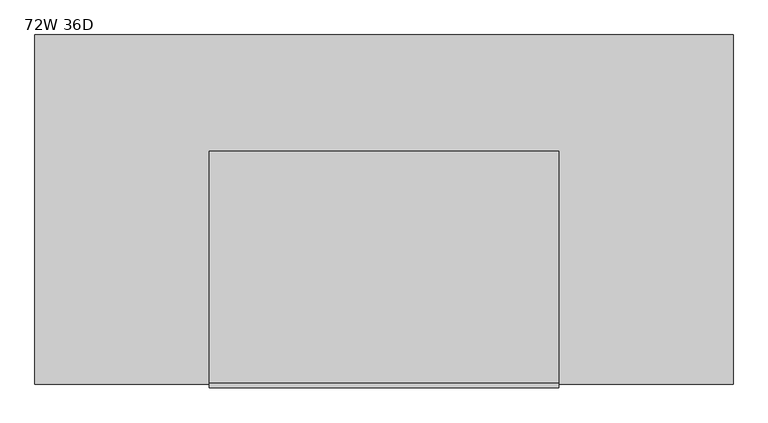
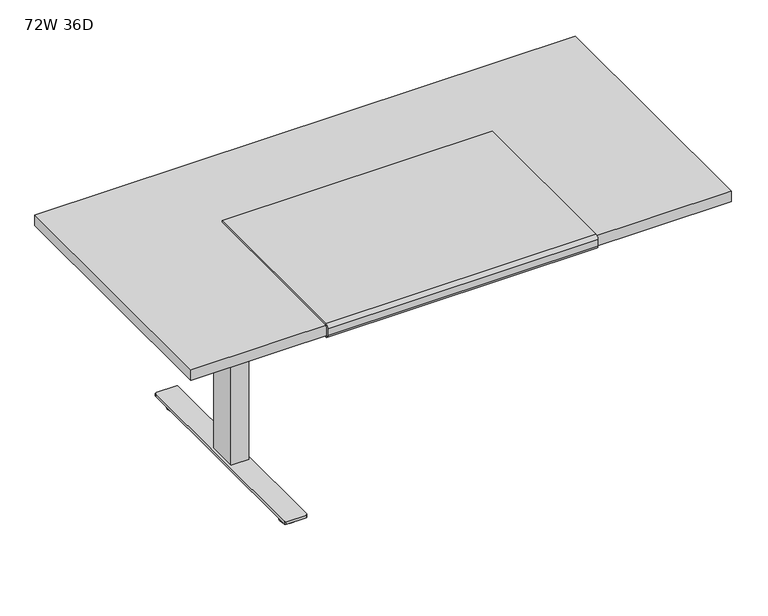
"""IFC4 building model written with IfcOpenShell, lengths in millimetres: furniture geometry, 72W 36D."""

from ifc_helpers import new_model, si_unit, point, frame, frame_2d, origin, origin_with_axes, place, context, project, spatial, polyline, circle_curve, trimmed, segment, composite_curve, outline, extrude, source, transform, mapped, element, save


def furniture_72w_36d_3ea2abe3(model_context):
    return source(origin(), model_context, "Body", "SweptSolid", [
        extrude(outline(composite_curve([segment(polyline([(-923.7981828, 711.2566341), (-923.7981828, 706.2597008)]), True, "CONTINUOUS"), segment(trimmed(circle_curve(frame_2d((-923.7981828, 718.9597008)), 12.7), [point((-923.7981828, 706.2597008))], [point((-936.4981828, 718.9597008))], False, "CARTESIAN"), True, "CONTINUOUS"), segment(polyline([(-936.4981828, 718.9597008), (-936.4981828, 741.3625)]), True, "CONTINUOUS"), segment(trimmed(circle_curve(frame_2d((-923.7981828, 741.3625)), 12.7), [point((-936.4981828, 741.3625))], [point((-923.7981828, 754.0625))], False, "CARTESIAN"), True, "CONTINUOUS"), segment(polyline([(-923.7981828, 754.0625), (-317.3731828, 754.0625), (-317.3731828, 749.3), (-923.6350132, 749.3)]), True, "CONTINUOUS"), segment(trimmed(circle_curve(frame_2d((-923.6350132, 741.3625)), 7.9375), [point((-923.6350132, 749.3))], [point((-931.5725132, 741.3625))], True, "CARTESIAN"), True, "CONTINUOUS"), segment(polyline([(-931.5725132, 741.3625), (-931.5725132, 717.6066341)]), True, "CONTINUOUS"), segment(trimmed(circle_curve(frame_2d((-925.2225132, 717.6066341)), 6.35), [point((-931.5725132, 717.6066341))], [point((-925.2225132, 711.2566341))], True, "CARTESIAN"), True, "CONTINUOUS"), segment(polyline([(-925.2225132, 711.2566341), (-923.7981828, 711.2566341)]), True, "CONTINUOUS")], self_intersect=False)), frame((-469.9, 0.0, 0.0), z_axis=(1.0, 0.0, 0.0), x_axis=(0.0, 1.0, 0.0)), (0.0, 0.0, 1.0), 914.4),
        extrude(outline(polyline([(-730.25, 692.15), (-730.25, 711.2), (-209.55, 711.2), (-209.55, 692.15), (-411.1625, 635.0), (-528.6375, 635.0), (-730.25, 692.15)])), frame((-567.53125, 0.0, 0.0), z_axis=(1.0, 0.0, 0.0), x_axis=(0.0, 1.0, 0.0)), (0.0, 0.0, 1.0), 2.38125),
        extrude(outline(polyline([(-377.03125, -411.1625), (-377.03125, -528.6375), (-565.15, -528.6375), (-565.15, -411.1625), (-377.03125, -411.1625)])), frame((0.0, 0.0, 655.6375), z_axis=(0.0, 0.0, 1.0), x_axis=(1.0, 0.0, 0.0)), (0.0, 0.0, 1.0), 55.5625),
        extrude(outline(polyline([(-501.65, -425.45), (-501.65, -514.35), (-552.45, -514.35), (-552.45, -425.45), (-501.65, -425.45)])), frame((0.0, 0.0, 654.05), z_axis=(0.0, 0.0, 1.0), x_axis=(1.0, 0.0, 0.0)), (0.0, 0.0, 1.0), 1.5875),
        extrude(outline(polyline([(-497.0859375, -419.89375), (-497.0859375, -519.90625), (-557.0140625, -519.90625), (-557.0140625, -419.89375), (-497.0859375, -419.89375)])), frame((0.0, 0.0, 31.75), z_axis=(0.0, 0.0, 1.0), x_axis=(1.0, 0.0, 0.0)), (0.0, 0.0, 1.0), 622.3),
        extrude(outline(composite_curve([segment(trimmed(circle_curve(frame_2d((-527.05, -800.1)), 25.4), [point((-552.45, -800.1))], [point((-501.65, -800.1))], False, "CARTESIAN"), True, "CONTINUOUS"), segment(trimmed(circle_curve(frame_2d((-527.05, -800.1)), 25.4), [point((-501.65, -800.1))], [point((-552.45, -800.1))], False, "CARTESIAN"), True, "CONTINUOUS")], self_intersect=False)), origin_with_axes(), (0.0, 0.0, 1.0), 9.525),
        extrude(outline(composite_curve([segment(trimmed(circle_curve(frame_2d((-527.05, -139.7)), 25.4), [point((-552.45, -139.7))], [point((-501.65, -139.7))], False, "CARTESIAN"), True, "CONTINUOUS"), segment(trimmed(circle_curve(frame_2d((-527.05, -139.7)), 25.4), [point((-501.65, -139.7))], [point((-552.45, -139.7))], False, "CARTESIAN"), True, "CONTINUOUS")], self_intersect=False)), origin_with_axes(), (0.0, 0.0, 1.0), 9.525),
        extrude(outline(composite_curve([segment(polyline([(-552.45, -800.1), (-552.45, -139.7)]), True, "CONTINUOUS"), segment(trimmed(circle_curve(frame_2d((-527.05, -139.7)), 25.4), [point((-552.45, -139.7))], [point((-527.05, -114.3))], False, "CARTESIAN"), True, "CONTINUOUS"), segment(trimmed(circle_curve(frame_2d((-527.05, -139.7)), 25.4), [point((-527.05, -114.3))], [point((-501.65, -139.7))], False, "CARTESIAN"), True, "CONTINUOUS"), segment(polyline([(-501.65, -139.7), (-501.65, -800.1)]), True, "CONTINUOUS"), segment(trimmed(circle_curve(frame_2d((-527.05, -800.1)), 25.4), [point((-501.65, -800.1))], [point((-527.05, -825.5))], False, "CARTESIAN"), True, "CONTINUOUS"), segment(trimmed(circle_curve(frame_2d((-527.05, -800.1)), 25.4), [point((-527.05, -825.5))], [point((-552.45, -800.1))], False, "CARTESIAN"), True, "CONTINUOUS")], self_intersect=False)), frame((0.0, 0.0, 9.525), z_axis=(0.0, 0.0, 1.0), x_axis=(1.0, 0.0, 0.0)), (0.0, 0.0, 1.0), 12.7),
        extrude(outline(composite_curve([segment(trimmed(circle_curve(frame_2d((-493.7125, -93.6625)), 4.7625), [point((-493.7125, -88.9))], [point((-488.95, -93.6625))], False, "CARTESIAN"), True, "CONTINUOUS"), segment(polyline([(-488.95, -93.6625), (-488.95, -846.1375)]), True, "CONTINUOUS"), segment(trimmed(circle_curve(frame_2d((-493.7125, -846.1375)), 4.7625), [point((-488.95, -846.1375))], [point((-493.7125, -850.9))], False, "CARTESIAN"), True, "CONTINUOUS"), segment(polyline([(-493.7125, -850.9), (-560.3875, -850.9)]), True, "CONTINUOUS"), segment(trimmed(circle_curve(frame_2d((-560.3875, -846.1375)), 4.7625), [point((-560.3875, -850.9))], [point((-565.15, -846.1375))], False, "CARTESIAN"), True, "CONTINUOUS"), segment(polyline([(-565.15, -846.1375), (-565.15, -93.6625)]), True, "CONTINUOUS"), segment(trimmed(circle_curve(frame_2d((-560.3875, -93.6625)), 4.7625), [point((-565.15, -93.6625))], [point((-560.3875, -88.9))], False, "CARTESIAN"), True, "CONTINUOUS"), segment(polyline([(-560.3875, -88.9), (-493.7125, -88.9)]), True, "CONTINUOUS")], self_intersect=False)), frame((0.0, 0.0, 22.225), z_axis=(0.0, 0.0, 1.0), x_axis=(1.0, 0.0, 0.0)), (0.0, 0.0, 1.0), 9.525),
        extrude(outline(polyline([(669.925, -215.9), (669.925, -723.9), (593.725, -723.9), (593.725, -215.9), (669.925, -215.9)])), frame((0.0, 0.0, 590.55), z_axis=(0.0, 0.0, 1.0), x_axis=(1.0, 0.0, 0.0)), (0.0, 0.0, 1.0), 120.65),
        extrude(outline(polyline([(901.7, -12.7), (901.7, -927.1), (-927.1, -927.1), (-927.1, -12.7), (901.7, -12.7)])), frame((0.0, 0.0, 711.2), z_axis=(0.0, 0.0, 1.0), x_axis=(1.0, 0.0, 0.0)), (0.0, 0.0, 1.0), 38.1),
    ])


if __name__ == "__main__":
    model = new_model("IFC4")
    model_context = context("Model", 3, world=origin())
    ifc_project = project(units=[si_unit("LENGTHUNIT", "METRE", prefix="MILLI")], contexts=[model_context])
    site = spatial("IfcSite", under=ifc_project)
    building = spatial("IfcBuilding", under=site)
    placement = place(None, origin())
    furniture_72w_36d_shape = furniture_72w_36d_3ea2abe3(model_context)
    element("IfcFurniture", 1, ObjectType="72W 36D", at=placement, inside=building, context=model_context, shape_type="MappedRepresentation", body=[
        mapped(furniture_72w_36d_shape, transform((0.0, 0.0, 0.0), x_axis=(1.0, 0.0, 0.0), y_axis=(0.0, 1.0, 0.0), z_axis=(0.0, 0.0, 1.0))),
    ])
    save(model, "model.ifc")
